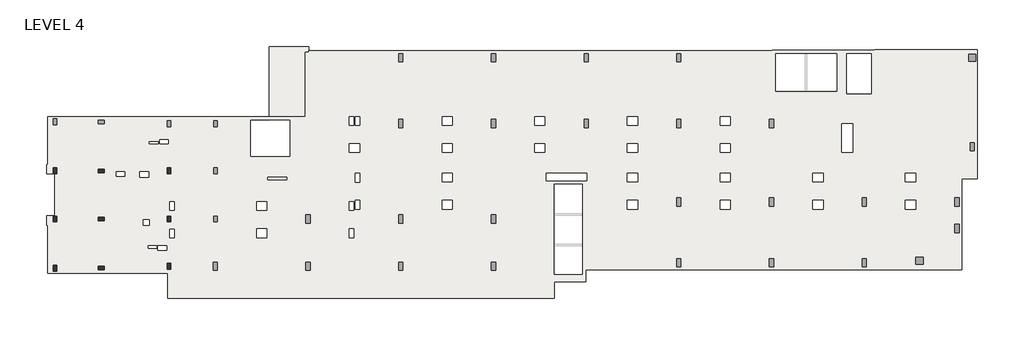
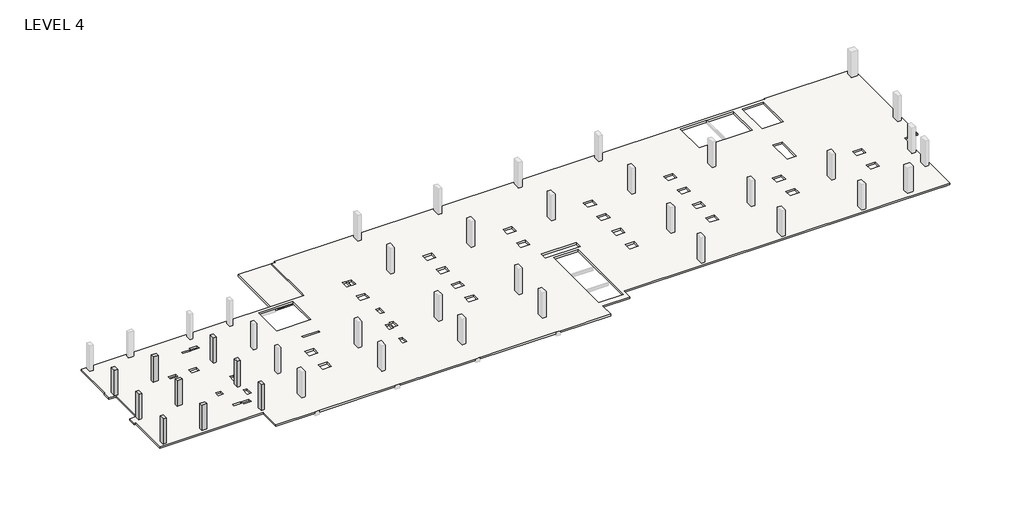
# One storey, part 1 of 2: 9 columns, 2 slabs.
"""IFC4 building model written with IfcOpenShell, lengths in millimetres."""

from ifc_helpers import new_model, si_unit, frame, origin, place, context, project, spatial, polyline, outline, extrude, faceted_brep, element, save

model = new_model("IFC4")

# Units and contexts
model_context = context("Model", 3, world=origin())
ifc_project = project(units=[si_unit("LENGTHUNIT", "METRE", prefix="MILLI")], contexts=[model_context])

# Site, building, storey
site = spatial("IfcSite", under=ifc_project)
building = spatial("IfcBuilding", under=site)
storey = spatial("IfcBuildingStorey", under=building, Name="LEVEL 4", Elevation=13208.0)

# Columns
placement = place(None, origin())
element("IfcColumn", 1, ObjectType="UC Concrete-Rectangular-Column : 12 x 20", at=placement, inside=storey, context=model_context, shape_type="SweptSolid", body=[
    extrude(outline(polyline([(-12613.7610058, -25075.0962939), (-12613.7610058, -25583.0962939), (-12918.5610058, -25583.0962939), (-12918.5610058, -25075.0962939), (-12613.7610058, -25075.0962939)])), frame((0.0, 0.0, 13208.0), z_axis=(0.0, 0.0, 1.0), x_axis=(1.0, 0.0, 0.0)), (0.0, 0.0, 1.0), 2667.0),
])
element("IfcColumn", 2, ObjectType="UC Concrete-Rectangular-Column : 12 x 20", at=placement, inside=storey, context=model_context, shape_type="SweptSolid", body=[
    extrude(outline(polyline([(-9057.7610058, -25176.6962939), (-8549.7610058, -25176.6962939), (-8549.7610058, -25481.4962939), (-9057.7610058, -25481.4962939), (-9057.7610058, -25176.6962939)])), frame((0.0, 0.0, 13208.0), z_axis=(0.0, 0.0, 1.0), x_axis=(1.0, 0.0, 0.0)), (0.0, 0.0, 1.0), 2667.0),
])
element("IfcColumn", 3, ObjectType="UC Concrete-Rectangular-Column : 12 x 20", at=placement, inside=storey, context=model_context, shape_type="SweptSolid", body=[
    extrude(outline(polyline([(-12613.7610058, -29189.8962158), (-12613.7610058, -29697.8962158), (-12918.5610058, -29697.8962158), (-12918.5610058, -29189.8962158), (-12613.7610058, -29189.8962158)])), frame((0.0, 0.0, 13208.0), z_axis=(0.0, 0.0, 1.0), x_axis=(1.0, 0.0, 0.0)), (0.0, 0.0, 1.0), 2667.0),
])
element("IfcColumn", 4, ObjectType="UC Concrete-Rectangular-Column : 12 x 20", at=placement, inside=storey, context=model_context, shape_type="SweptSolid", body=[
    extrude(outline(polyline([(-8549.7610058, -29596.2962158), (-9057.7610058, -29596.2962158), (-9057.7610058, -29291.4962158), (-8549.7610058, -29291.4962158), (-8549.7610058, -29596.2962158)])), frame((0.0, 0.0, 13208.0), z_axis=(0.0, 0.0, 1.0), x_axis=(1.0, 0.0, 0.0)), (0.0, 0.0, 1.0), 2667.0),
])
element("IfcColumn", 5, ObjectType="UC Concrete-Rectangular-Column : 12 x 20", at=placement, inside=storey, context=model_context, shape_type="SweptSolid", body=[
    extrude(outline(polyline([(-12613.7610058, -33380.9107149), (-12613.7610058, -33888.9107149), (-12918.5610058, -33888.9107149), (-12918.5610058, -33380.9107149), (-12613.7610058, -33380.9107149)])), frame((0.0, 0.0, 13208.0), z_axis=(0.0, 0.0, 1.0), x_axis=(1.0, 0.0, 0.0)), (0.0, 0.0, 1.0), 2667.0),
])
element("IfcColumn", 6, ObjectType="UC Concrete-Rectangular-Column : 12 x 20", at=placement, inside=storey, context=model_context, shape_type="SweptSolid", body=[
    extrude(outline(polyline([(-9057.7610058, -33482.5107149), (-8549.7610058, -33482.5107149), (-8549.7610058, -33787.3107149), (-9057.7610058, -33787.3107149), (-9057.7610058, -33482.5107149)])), frame((0.0, 0.0, 13208.0), z_axis=(0.0, 0.0, 1.0), x_axis=(1.0, 0.0, 0.0)), (0.0, 0.0, 1.0), 2667.0),
])
element("IfcColumn", 7, ObjectType="UC Concrete-Rectangular-Column : 12 x 20", at=placement, inside=storey, context=model_context, shape_type="SweptSolid", body=[
    extrude(outline(polyline([(-2860.1610058, -25075.0962939), (-2860.1610058, -25583.0962939), (-3164.9610058, -25583.0962939), (-3164.9610058, -25075.0962939), (-2860.1610058, -25075.0962939)])), frame((0.0, 0.0, 13208.0), z_axis=(0.0, 0.0, 1.0), x_axis=(1.0, 0.0, 0.0)), (0.0, 0.0, 1.0), 2667.0),
])
element("IfcColumn", 8, ObjectType="UC Concrete-Rectangular-Column : 12 x 20", at=placement, inside=storey, context=model_context, shape_type="SweptSolid", body=[
    extrude(outline(polyline([(-2860.1610058, -29189.8962158), (-2860.1610058, -29697.8962158), (-3164.9610058, -29697.8962158), (-3164.9610058, -29189.8962158), (-2860.1610058, -29189.8962158)])), frame((0.0, 0.0, 13208.0), z_axis=(0.0, 0.0, 1.0), x_axis=(1.0, 0.0, 0.0)), (0.0, 0.0, 1.0), 2667.0),
])
element("IfcColumn", 9, ObjectType="UC Concrete-Rectangular-Column : 12 x 20", at=placement, inside=storey, context=model_context, shape_type="SweptSolid", body=[
    extrude(outline(polyline([(-2860.1610058, -33228.5107149), (-2860.1610058, -33736.5107149), (-3164.9610058, -33736.5107149), (-3164.9610058, -33228.5107149), (-2860.1610058, -33228.5107149)])), frame((0.0, 0.0, 13208.0), z_axis=(0.0, 0.0, 1.0), x_axis=(1.0, 0.0, 0.0)), (0.0, 0.0, 1.0), 2667.0),
])

# Slabs
element("IfcSlab", 10, ObjectType="7\" Concrete", at=placement, inside=storey, context=model_context, shape_type="Brep", body=[
    faceted_brep([(57329.9014942, -15029.4107149, 13030.2), (57329.9014942, -14953.2107149, 13030.2), (66100.8383695, -14953.2107149, 13030.2), (66100.8383695, -25995.8607149, 13030.2), (64773.6889942, -25995.8607149, 13030.2), (64773.6889942, -33774.6107149, 13030.2), (32604.5889942, -33774.6107149, 13030.2), (32604.5889942, -34790.6107149, 13030.2), (29915.3639942, -34790.6107149, 13030.2), (29915.3639942, -36206.6607149, 13030.2), (24927.4389942, -36206.6607149, 13030.2), (24521.0389942, -36206.6607149, 13030.2), (17002.6389942, -36206.6607149, 13030.2), (16596.2389942, -36206.6607149, 13030.2), (9077.8389942, -36206.6607149, 13030.2), (8671.4389942, -36206.6607149, 13030.2), (1153.0389942, -36206.6607149, 13030.2), (746.6389942, -36206.6607149, 13030.2), (-3120.5110058, -36206.6607149, 13030.2), (-3120.5110058, -34060.3310305, 13030.2), (-13363.0610058, -34060.3310305, 13030.2), (-13363.0610058, -29958.2607149, 13030.2), (-13483.7110058, -29958.2607149, 13030.2), (-13483.7110058, -29183.5607149, 13030.2), (-12969.3610058, -29183.5607149, 13030.2), (-12766.1169468, -29183.5607149, 13030.2), (-12766.1169468, -29139.1107149, 13030.2), (-12766.1169468, -25633.9107149, 13030.2), (-12766.1169468, -25589.4607149, 13030.2), (-12969.3610058, -25589.4607149, 13030.2), (-13483.7110058, -25589.4607149, 13030.2), (-13483.7110058, -24814.7607149, 13030.2), (-13363.0610058, -24814.7607149, 13030.2), (-13363.0610058, -20712.6903994, 13030.2), (797.4389942, -20712.6903994, 13030.2), (1102.2389942, -20712.6903994, 13030.2), (5572.6389942, -20712.6903994, 13030.2), (5979.0389942, -20712.6903994, 13030.2), (8620.6389942, -20712.6903994, 13030.2), (8620.6389942, -15194.5107149, 13030.2), (8925.4389942, -15194.5107149, 13030.2), (8925.4389942, -15054.8107149, 13030.2), (48541.5014942, -15054.8107149, 13030.2), (48541.5014942, -15029.4107149, 13030.2), (54078.7014942, -15334.2107149, 13030.2), (48846.3014942, -15334.2107149, 13030.2), (48846.3014942, -18511.7121146, 13030.2), (54078.7014942, -18511.7121146, 13030.2), (29912.1889942, -34181.7272222, 13030.2), (32299.7889942, -34181.7272222, 13030.2), (32299.7889942, -26487.2692077, 13030.2), (29912.1889942, -26487.2692077, 13030.2), (3972.4389942, -21017.4903994, 13030.2), (3972.4389942, -24095.6232149, 13030.2), (7325.2389942, -24095.6232149, 13030.2), (7325.2389942, -21017.4903994, 13030.2), (5572.6389942, -21017.4903994, 13030.2), (57025.1014942, -15334.2107149, 13030.2), (54933.1413578, -15334.2107149, 13030.2), (54933.1413578, -18744.1607149, 13030.2), (57025.1014942, -18744.1607149, 13030.2), (29123.2162484, -20696.7857149, 13030.2), (28250.0617399, -20696.7857149, 13030.2), (28250.0617399, -21427.0315227, 13030.2), (29123.2162484, -21427.0315227, 13030.2), (29123.2329503, -23011.3607149, 13030.2), (28250.045038, -23011.3607149, 13030.2), (28250.045038, -23744.7857149, 13030.2), (29123.2329503, -23744.7857149, 13030.2), (37048.0162484, -20696.7857149, 13030.2), (36174.8617399, -20696.7857149, 13030.2), (36174.8617399, -21427.0315227, 13030.2), (37048.0162484, -21427.0315227, 13030.2), (37048.0329503, -23011.3607149, 13030.2), (36174.845038, -23011.3607149, 13030.2), (36174.845038, -23744.7857149, 13030.2), (37048.0329503, -23744.7857149, 13030.2), (37048.0329503, -25541.8357149, 13030.2), (36174.8784418, -25541.8357149, 13030.2), (36174.8784418, -26272.0815227, 13030.2), (37048.0329503, -26272.0815227, 13030.2), (37048.0496522, -27856.4107149, 13030.2), (36174.8617399, -27856.4107149, 13030.2), (36174.8617399, -28589.8357149, 13030.2), (37048.0496522, -28589.8357149, 13030.2), (44972.8162484, -20696.7857149, 13030.2), (44099.6617399, -20696.7857149, 13030.2), (44099.6617399, -21427.0315227, 13030.2), (44972.8162484, -21427.0315227, 13030.2), (44972.8329503, -23011.3607149, 13030.2), (44099.645038, -23011.3607149, 13030.2), (44099.645038, -23744.7857149, 13030.2), (44972.8329503, -23744.7857149, 13030.2), (44972.8329503, -25541.8357149, 13030.2), (44099.6784418, -25541.8357149, 13030.2), (44099.6784418, -26272.0815227, 13030.2), (44972.8329503, -26272.0815227, 13030.2), (44972.8496522, -27856.4107149, 13030.2), (44099.6617399, -27856.4107149, 13030.2), (44099.6617399, -28589.8357149, 13030.2), (44972.8496522, -28589.8357149, 13030.2), (55421.7306924, -21315.9107149, 13030.2), (54513.6767085, -21315.9107149, 13030.2), (54513.6767085, -23754.3107149, 13030.2), (55421.7306924, -23754.3107149, 13030.2), (52897.6329503, -25541.8357149, 13030.2), (52024.4784418, -25541.8357149, 13030.2), (52024.4784418, -26272.0815227, 13030.2), (52897.6329503, -26272.0815227, 13030.2), (52897.6496522, -27856.4107149, 13030.2), (52024.4617399, -27856.4107149, 13030.2), (52024.4617399, -28589.8357149, 13030.2), (52897.6496522, -28589.8357149, 13030.2), (60822.4329503, -25541.8357149, 13030.2), (59949.2784418, -25541.8357149, 13030.2), (59949.2784418, -26272.0815227, 13030.2), (60822.4329503, -26272.0815227, 13030.2), (60822.4496522, -27856.4107149, 13030.2), (59949.2617399, -27856.4107149, 13030.2), (59949.2617399, -28589.8357149, 13030.2), (60822.4496522, -28589.8357149, 13030.2), (21198.4162484, -20696.7857149, 13030.2), (20325.2617399, -20696.7857149, 13030.2), (20325.2617399, -21427.0315227, 13030.2), (21198.4162484, -21427.0315227, 13030.2), (21198.4329503, -23011.3607149, 13030.2), (20325.245038, -23011.3607149, 13030.2), (20325.245038, -23744.7857149, 13030.2), (21198.4329503, -23744.7857149, 13030.2), (21198.4329503, -25540.2600871, 13030.2), (20325.245038, -25540.2600871, 13030.2), (20325.245038, -26273.6850871, 13030.2), (21198.4329503, -26273.6850871, 13030.2), (21198.4329503, -27856.4247435, 13030.2), (20325.245038, -27856.4247435, 13030.2), (20325.245038, -28589.8497435, 13030.2), (21198.4329503, -28589.8497435, 13030.2), (13273.6162484, -23011.3747435, 13030.2), (12400.4283362, -23011.3747435, 13030.2), (12400.4283362, -23744.7997435, 13030.2), (13273.6162484, -23744.7997435, 13030.2), (13273.6329503, -25549.7872435, 13030.2), (12898.9511818, -25549.7872435, 13030.2), (12898.9511818, -26283.2122435, 13030.2), (13273.6329503, -26283.2122435, 13030.2), (13273.6329503, -27858.0306162, 13030.2), (12898.9511818, -27858.0306162, 13030.2), (12898.9511818, -28591.4556162, 13030.2), (13273.6329503, -28591.4556162, 13030.2), (12775.1350013, -27980.26602, 13030.2), (12400.4532328, -27980.26602, 13030.2), (12400.4532328, -28713.69102, 13030.2), (12775.1350013, -28713.69102, 13030.2), (12775.1350013, -30296.4143396, 13030.2), (12400.4532328, -30296.4143396, 13030.2), (12400.4532328, -31029.8393396, 13030.2), (12775.1350013, -31029.8393396, 13030.2), (5348.8159361, -30296.4143396, 13030.2), (4475.6620523, -30296.4143396, 13030.2), (4475.6620523, -31029.8393396, 13030.2), (5348.8159361, -31029.8393396, 13030.2), (-4736.5860058, -25391.0377141, 13030.2), (-5495.4110058, -25391.0377141, 13030.2), (-5495.4110058, -25894.3063579, 13030.2), (-4736.5860058, -25894.3063579, 13030.2), (-2575.9840639, -30297.9899072, 13030.2), (-2936.3610058, -30297.9899072, 13030.2), (-2936.3610058, -31028.2357149, 13030.2), (-2575.9840639, -31028.2357149, 13030.2), (-2575.9673621, -27980.2327488, 13030.2), (-2936.3610058, -27980.2327488, 13030.2), (-2936.3610058, -28713.6577488, 13030.2), (-2575.9673621, -28713.6577488, 13030.2), (-3955.5318136, -31734.6434324, 13030.2), (-3955.5318136, -32129.9453743, 13030.2), (-3212.5860058, -32129.9453743, 13030.2), (-3212.5860058, -31734.6434324, 13030.2), (-4809.6068136, -31744.9675477, 13030.2), (-4809.6068136, -31933.1120762, 13030.2), (-4050.7818136, -31933.1120762, 13030.2), (-4050.7818136, -31744.9675477, 13030.2), (13273.6245994, -20696.7857149, 13030.2), (12898.9428309, -20696.7857149, 13030.2), (12898.9428309, -21427.0315227, 13030.2), (13273.6245994, -21427.0315227, 13030.2), (12775.1351575, -20696.7857149, 13030.2), (12400.453389, -20696.7857149, 13030.2), (12400.453389, -21427.0315227, 13030.2), (12775.1351575, -21427.0315227, 13030.2), (-4685.7818136, -22839.9093537, 13030.2), (-4685.7818136, -23025.6779974, 13030.2), (-3926.9568136, -23025.6779974, 13030.2), (-3926.9568136, -22839.9093537, 13030.2), (-5207.5557798, -29505.837636, 13030.2), (-5207.5557798, -29980.4953131, 13030.2), (-4708.0110058, -29980.4953131, 13030.2), (-4708.0110058, -29505.837636, 13030.2), (29254.9639942, -25513.2607149, 13030.2), (29254.9639942, -26182.4692077, 13030.2), (32693.4889942, -26182.4692077, 13030.2), (32693.4889942, -25513.2607149, 13030.2), (7044.9556867, -25881.5621481, 13030.2), (5407.1871152, -25881.5621481, 13030.2), (5407.1871152, -26084.7621481, 13030.2), (7044.9556867, -26084.7621481, 13030.2), (5348.8159361, -27981.0375273, 13030.2), (4475.6620523, -27981.0375273, 13030.2), (4475.6620523, -28714.4625273, 13030.2), (5348.8159361, -28714.4625273, 13030.2), (-7516.3006019, -25401.3473693, 13030.2), (-7516.3006019, -25776.0291377, 13030.2), (-6782.8756019, -25776.0291377, 13030.2), (-6782.8756019, -25401.3473693, 13030.2), (-3826.9323811, -22647.0361423, 13030.2), (-3826.9323811, -23021.7179107, 13030.2), (-3093.5073811, -23021.7179107, 13030.2), (-3093.5073811, -22647.0361423, 13030.2), (57329.9014942, -14953.2107149, 13208.0), (57329.9014942, -15029.4107149, 13208.0), (48541.5014942, -15029.4107149, 13208.0), (48541.5014942, -15054.8107149, 13208.0), (8925.4389942, -15054.8107149, 13208.0), (8925.4389942, -15194.5107149, 13208.0), (8620.6389942, -15194.5107149, 13208.0), (8620.6389942, -20712.6903994, 13208.0), (-13363.0610058, -20712.6903994, 13208.0), (-13363.0610058, -24814.7607149, 13208.0), (-13483.7110058, -24814.7607149, 13208.0), (-13483.7110058, -25589.4607149, 13208.0), (-12969.3610058, -25589.4607149, 13208.0), (-12766.1169468, -25589.4607149, 13208.0), (-12766.1169468, -25633.9107149, 13208.0), (-12766.1169468, -29139.1107149, 13208.0), (-12766.1169468, -29183.5607149, 13208.0), (-12969.3610058, -29183.5607149, 13208.0), (-13483.7110058, -29183.5607149, 13208.0), (-13483.7110058, -29958.2607149, 13208.0), (-13363.0610058, -29958.2607149, 13208.0), (-13363.0610058, -34060.3310305, 13208.0), (-3120.5110058, -34060.3310305, 13208.0), (-3120.5110058, -36206.6607149, 13208.0), (746.6389942, -36206.6607149, 13208.0), (1153.0389942, -36206.6607149, 13208.0), (8671.4389942, -36206.6607149, 13208.0), (9077.8389942, -36206.6607149, 13208.0), (16596.2389942, -36206.6607149, 13208.0), (17002.6389942, -36206.6607149, 13208.0), (24521.0389942, -36206.6607149, 13208.0), (24927.4389942, -36206.6607149, 13208.0), (29915.3639942, -36206.6607149, 13208.0), (29915.3639942, -34790.6107149, 13208.0), (32604.5889942, -34790.6107149, 13208.0), (32604.5889942, -33774.6107149, 13208.0), (64773.6889942, -33774.6107149, 13208.0), (64773.6889942, -25995.8607149, 13208.0), (66100.8383695, -25995.8607149, 13208.0), (66100.8383695, -14953.2107149, 13208.0), (48846.3014942, -15334.2107149, 13208.0), (54078.7014942, -15334.2107149, 13208.0), (54078.7014942, -18511.7121146, 13208.0), (48846.3014942, -18511.7121146, 13208.0), (32299.7889942, -34181.7272222, 13208.0), (29912.1889942, -34181.7272222, 13208.0), (29912.1889942, -26487.2692077, 13208.0), (32299.7889942, -26487.2692077, 13208.0), (3972.4389942, -24095.6232149, 13208.0), (3972.4389942, -21017.4903994, 13208.0), (7325.2389942, -21017.4903994, 13208.0), (7325.2389942, -24095.6232149, 13208.0), (54933.1413578, -15334.2107149, 13208.0), (57025.1014942, -15334.2107149, 13208.0), (57025.1014942, -18744.1607149, 13208.0), (54933.1413578, -18744.1607149, 13208.0), (28250.0617399, -20696.7857149, 13208.0), (29123.2162484, -20696.7857149, 13208.0), (29123.2162484, -21427.0315227, 13208.0), (28250.0617399, -21427.0315227, 13208.0), (28250.045038, -23011.3607149, 13208.0), (29123.2329503, -23011.3607149, 13208.0), (29123.2329503, -23744.7857149, 13208.0), (28250.045038, -23744.7857149, 13208.0), (36174.8617399, -20696.7857149, 13208.0), (37048.0162484, -20696.7857149, 13208.0), (37048.0162484, -21427.0315227, 13208.0), (36174.8617399, -21427.0315227, 13208.0), (36174.845038, -23011.3607149, 13208.0), (37048.0329503, -23011.3607149, 13208.0), (37048.0329503, -23744.7857149, 13208.0), (36174.845038, -23744.7857149, 13208.0), (36174.8784418, -25541.8357149, 13208.0), (37048.0329503, -25541.8357149, 13208.0), (37048.0329503, -26272.0815227, 13208.0), (36174.8784418, -26272.0815227, 13208.0), (36174.8617399, -27856.4107149, 13208.0), (37048.0496522, -27856.4107149, 13208.0), (37048.0496522, -28589.8357149, 13208.0), (36174.8617399, -28589.8357149, 13208.0), (44099.6617399, -20696.7857149, 13208.0), (44972.8162484, -20696.7857149, 13208.0), (44972.8162484, -21427.0315227, 13208.0), (44099.6617399, -21427.0315227, 13208.0), (44099.645038, -23011.3607149, 13208.0), (44972.8329503, -23011.3607149, 13208.0), (44972.8329503, -23744.7857149, 13208.0), (44099.645038, -23744.7857149, 13208.0), (44099.6784418, -25541.8357149, 13208.0), (44972.8329503, -25541.8357149, 13208.0), (44972.8329503, -26272.0815227, 13208.0), (44099.6784418, -26272.0815227, 13208.0), (44099.6617399, -27856.4107149, 13208.0), (44972.8496522, -27856.4107149, 13208.0), (44972.8496522, -28589.8357149, 13208.0), (44099.6617399, -28589.8357149, 13208.0), (54513.6767085, -21315.9107149, 13208.0), (55421.7306924, -21315.9107149, 13208.0), (55421.7306924, -23754.3107149, 13208.0), (54513.6767085, -23754.3107149, 13208.0), (52024.4784418, -25541.8357149, 13208.0), (52897.6329503, -25541.8357149, 13208.0), (52897.6329503, -26272.0815227, 13208.0), (52024.4784418, -26272.0815227, 13208.0), (52024.4617399, -27856.4107149, 13208.0), (52897.6496522, -27856.4107149, 13208.0), (52897.6496522, -28589.8357149, 13208.0), (52024.4617399, -28589.8357149, 13208.0), (59949.2784418, -25541.8357149, 13208.0), (60822.4329503, -25541.8357149, 13208.0), (60822.4329503, -26272.0815227, 13208.0), (59949.2784418, -26272.0815227, 13208.0), (59949.2617399, -27856.4107149, 13208.0), (60822.4496522, -27856.4107149, 13208.0), (60822.4496522, -28589.8357149, 13208.0), (59949.2617399, -28589.8357149, 13208.0), (20325.2617399, -20696.7857149, 13208.0), (21198.4162484, -20696.7857149, 13208.0), (21198.4162484, -21427.0315227, 13208.0), (20325.2617399, -21427.0315227, 13208.0), (20325.245038, -23011.3607149, 13208.0), (21198.4329503, -23011.3607149, 13208.0), (21198.4329503, -23744.7857149, 13208.0), (20325.245038, -23744.7857149, 13208.0), (20325.245038, -25540.2600871, 13208.0), (21198.4329503, -25540.2600871, 13208.0), (21198.4329503, -26273.6850871, 13208.0), (20325.245038, -26273.6850871, 13208.0), (20325.245038, -27856.4247435, 13208.0), (21198.4329503, -27856.4247435, 13208.0), (21198.4329503, -28589.8497435, 13208.0), (20325.245038, -28589.8497435, 13208.0), (12400.4283362, -23011.3747435, 13208.0), (13273.6162484, -23011.3747435, 13208.0), (13273.6162484, -23744.7997435, 13208.0), (12400.4283362, -23744.7997435, 13208.0), (12898.9511818, -25549.7872435, 13208.0), (13273.6329503, -25549.7872435, 13208.0), (13273.6329503, -26283.2122435, 13208.0), (12898.9511818, -26283.2122435, 13208.0), (12898.9511818, -27858.0306162, 13208.0), (13273.6329503, -27858.0306162, 13208.0), (13273.6329503, -28591.4556162, 13208.0), (12898.9511818, -28591.4556162, 13208.0), (12400.4532328, -27980.26602, 13208.0), (12775.1350013, -27980.26602, 13208.0), (12775.1350013, -28713.69102, 13208.0), (12400.4532328, -28713.69102, 13208.0), (12400.4532328, -30296.4143396, 13208.0), (12775.1350013, -30296.4143396, 13208.0), (12775.1350013, -31029.8393396, 13208.0), (12400.4532328, -31029.8393396, 13208.0), (4475.6620523, -30296.4143396, 13208.0), (5348.8159361, -30296.4143396, 13208.0), (5348.8159361, -31029.8393396, 13208.0), (4475.6620523, -31029.8393396, 13208.0), (-5495.4110058, -25391.0377141, 13208.0), (-4736.5860058, -25391.0377141, 13208.0), (-4736.5860058, -25894.3063579, 13208.0), (-5495.4110058, -25894.3063579, 13208.0), (-2936.3610058, -30297.9899072, 13208.0), (-2575.9840639, -30297.9899072, 13208.0), (-2575.9840639, -31028.2357149, 13208.0), (-2936.3610058, -31028.2357149, 13208.0), (-2936.3610058, -27980.2327488, 13208.0), (-2575.9673621, -27980.2327488, 13208.0), (-2575.9673621, -28713.6577488, 13208.0), (-2936.3610058, -28713.6577488, 13208.0), (-3955.5318136, -32129.9453743, 13208.0), (-3955.5318136, -31734.6434324, 13208.0), (-3212.5860058, -31734.6434324, 13208.0), (-3212.5860058, -32129.9453743, 13208.0), (-4809.6068136, -31933.1120762, 13208.0), (-4809.6068136, -31744.9675477, 13208.0), (-4050.7818136, -31744.9675477, 13208.0), (-4050.7818136, -31933.1120762, 13208.0), (12898.9428309, -20696.7857149, 13208.0), (13273.6245994, -20696.7857149, 13208.0), (13273.6245994, -21427.0315227, 13208.0), (12898.9428309, -21427.0315227, 13208.0), (12400.453389, -20696.7857149, 13208.0), (12775.1351575, -20696.7857149, 13208.0), (12775.1351575, -21427.0315227, 13208.0), (12400.453389, -21427.0315227, 13208.0), (-4685.7818136, -23025.6779974, 13208.0), (-4685.7818136, -22839.9093537, 13208.0), (-3926.9568136, -22839.9093537, 13208.0), (-3926.9568136, -23025.6779974, 13208.0), (-5207.5557798, -29980.4953131, 13208.0), (-5207.5557798, -29505.837636, 13208.0), (-4708.0110058, -29505.837636, 13208.0), (-4708.0110058, -29980.4953131, 13208.0), (29254.9639942, -26182.4692077, 13208.0), (29254.9639942, -25513.2607149, 13208.0), (32693.4889942, -25513.2607149, 13208.0), (32693.4889942, -26182.4692077, 13208.0), (5407.1871152, -25881.5621481, 13208.0), (7044.9556867, -25881.5621481, 13208.0), (7044.9556867, -26084.7621481, 13208.0), (5407.1871152, -26084.7621481, 13208.0), (4475.6620523, -27981.0375273, 13208.0), (5348.8159361, -27981.0375273, 13208.0), (5348.8159361, -28714.4625273, 13208.0), (4475.6620523, -28714.4625273, 13208.0), (-7516.3006019, -25776.0291377, 13208.0), (-7516.3006019, -25401.3473693, 13208.0), (-6782.8756019, -25401.3473693, 13208.0), (-6782.8756019, -25776.0291377, 13208.0), (-3826.9323811, -23021.7179107, 13208.0), (-3826.9323811, -22647.0361423, 13208.0), (-3093.5073811, -22647.0361423, 13208.0), (-3093.5073811, -23021.7179107, 13208.0)], [[[0, 1, 2, 3, 4, 5, 6, 7, 8, 9, 10, 11, 12, 13, 14, 15, 16, 17, 18, 19, 20, 21, 22, 23, 24, 25, 26, 27, 28, 29, 30, 31, 32, 33, 34, 35, 36, 37, 38, 39, 40, 41, 42, 43], [44, 45, 46, 47], [48, 49, 50, 51], [52, 53, 54, 55, 56], [57, 58, 59, 60], [61, 62, 63, 64], [65, 66, 67, 68], [69, 70, 71, 72], [73, 74, 75, 76], [77, 78, 79, 80], [81, 82, 83, 84], [85, 86, 87, 88], [89, 90, 91, 92], [93, 94, 95, 96], [97, 98, 99, 100], [101, 102, 103, 104], [105, 106, 107, 108], [109, 110, 111, 112], [113, 114, 115, 116], [117, 118, 119, 120], [121, 122, 123, 124], [125, 126, 127, 128], [129, 130, 131, 132], [133, 134, 135, 136], [137, 138, 139, 140], [141, 142, 143, 144], [145, 146, 147, 148], [149, 150, 151, 152], [153, 154, 155, 156], [157, 158, 159, 160], [161, 162, 163, 164], [165, 166, 167, 168], [169, 170, 171, 172], [173, 174, 175, 176], [177, 178, 179, 180], [181, 182, 183, 184], [185, 186, 187, 188], [189, 190, 191, 192], [193, 194, 195, 196], [197, 198, 199, 200], [201, 202, 203, 204], [205, 206, 207, 208], [209, 210, 211, 212], [213, 214, 215, 216]], [[217, 218, 219, 220, 221, 222, 223, 224, 225, 226, 227, 228, 229, 230, 231, 232, 233, 234, 235, 236, 237, 238, 239, 240, 241, 242, 243, 244, 245, 246, 247, 248, 249, 250, 251, 252, 253, 254, 255, 256], [257, 258, 259, 260], [261, 262, 263, 264], [265, 266, 267, 268], [269, 270, 271, 272], [273, 274, 275, 276], [277, 278, 279, 280], [281, 282, 283, 284], [285, 286, 287, 288], [289, 290, 291, 292], [293, 294, 295, 296], [297, 298, 299, 300], [301, 302, 303, 304], [305, 306, 307, 308], [309, 310, 311, 312], [313, 314, 315, 316], [317, 318, 319, 320], [321, 322, 323, 324], [325, 326, 327, 328], [329, 330, 331, 332], [333, 334, 335, 336], [337, 338, 339, 340], [341, 342, 343, 344], [345, 346, 347, 348], [349, 350, 351, 352], [353, 354, 355, 356], [357, 358, 359, 360], [361, 362, 363, 364], [365, 366, 367, 368], [369, 370, 371, 372], [373, 374, 375, 376], [377, 378, 379, 380], [381, 382, 383, 384], [385, 386, 387, 388], [389, 390, 391, 392], [393, 394, 395, 396], [397, 398, 399, 400], [401, 402, 403, 404], [405, 406, 407, 408], [409, 410, 411, 412], [413, 414, 415, 416], [417, 418, 419, 420], [421, 422, 423, 424], [425, 426, 427, 428]], [[1, 0, 218, 217]], [[44, 258, 257, 45]], [[45, 257, 260, 46]], [[46, 260, 259, 47]], [[258, 44, 47, 259]], [[48, 262, 261, 49]], [[49, 261, 264, 50]], [[50, 264, 263, 51]], [[262, 48, 51, 263]], [[265, 53, 52, 266]], [[53, 265, 268, 54]], [[54, 268, 267, 55]], [[57, 270, 269, 58]], [[58, 269, 272, 59]], [[59, 272, 271, 60]], [[270, 57, 60, 271]], [[5, 4, 254, 253]], [[6, 5, 253, 252]], [[7, 6, 252, 251]], [[8, 7, 251, 250]], [[9, 8, 250, 249]], [[18, 17, 16, 15, 14, 13, 12, 11, 10, 9, 249, 248, 247, 246, 245, 244, 243, 242, 241, 240]], [[19, 18, 240, 239]], [[20, 19, 239, 238]], [[21, 20, 238, 237]], [[22, 21, 237, 236]], [[31, 30, 228, 227]], [[32, 31, 227, 226]], [[33, 32, 226, 225]], [[38, 37, 36, 35, 34, 33, 225, 224]], [[41, 40, 222, 221]], [[42, 41, 221, 220]], [[43, 42, 220, 219]], [[0, 43, 219, 218]], [[2, 1, 217, 256]], [[3, 2, 256, 255]], [[4, 3, 255, 254]], [[61, 274, 273, 62]], [[62, 273, 276, 63]], [[63, 276, 275, 64]], [[274, 61, 64, 275]], [[65, 278, 277, 66]], [[66, 277, 280, 67]], [[67, 280, 279, 68]], [[278, 65, 68, 279]], [[69, 282, 281, 70]], [[70, 281, 284, 71]], [[71, 284, 283, 72]], [[282, 69, 72, 283]], [[73, 286, 285, 74]], [[74, 285, 288, 75]], [[75, 288, 287, 76]], [[286, 73, 76, 287]], [[77, 290, 289, 78]], [[78, 289, 292, 79]], [[79, 292, 291, 80]], [[290, 77, 80, 291]], [[81, 294, 293, 82]], [[82, 293, 296, 83]], [[83, 296, 295, 84]], [[294, 81, 84, 295]], [[85, 298, 297, 86]], [[86, 297, 300, 87]], [[87, 300, 299, 88]], [[298, 85, 88, 299]], [[89, 302, 301, 90]], [[90, 301, 304, 91]], [[91, 304, 303, 92]], [[302, 89, 92, 303]], [[93, 306, 305, 94]], [[94, 305, 308, 95]], [[95, 308, 307, 96]], [[306, 93, 96, 307]], [[97, 310, 309, 98]], [[98, 309, 312, 99]], [[99, 312, 311, 100]], [[310, 97, 100, 311]], [[101, 314, 313, 102]], [[102, 313, 316, 103]], [[103, 316, 315, 104]], [[314, 101, 104, 315]], [[105, 318, 317, 106]], [[106, 317, 320, 107]], [[107, 320, 319, 108]], [[318, 105, 108, 319]], [[109, 322, 321, 110]], [[110, 321, 324, 111]], [[111, 324, 323, 112]], [[322, 109, 112, 323]], [[113, 326, 325, 114]], [[114, 325, 328, 115]], [[115, 328, 327, 116]], [[326, 113, 116, 327]], [[117, 330, 329, 118]], [[118, 329, 332, 119]], [[119, 332, 331, 120]], [[330, 117, 120, 331]], [[121, 334, 333, 122]], [[122, 333, 336, 123]], [[123, 336, 335, 124]], [[334, 121, 124, 335]], [[125, 338, 337, 126]], [[126, 337, 340, 127]], [[127, 340, 339, 128]], [[338, 125, 128, 339]], [[129, 342, 341, 130]], [[130, 341, 344, 131]], [[131, 344, 343, 132]], [[342, 129, 132, 343]], [[133, 346, 345, 134]], [[134, 345, 348, 135]], [[135, 348, 347, 136]], [[346, 133, 136, 347]], [[137, 350, 349, 138]], [[138, 349, 352, 139]], [[139, 352, 351, 140]], [[350, 137, 140, 351]], [[141, 354, 353, 142]], [[142, 353, 356, 143]], [[143, 356, 355, 144]], [[354, 141, 144, 355]], [[145, 358, 357, 146]], [[146, 357, 360, 147]], [[147, 360, 359, 148]], [[358, 145, 148, 359]], [[149, 362, 361, 150]], [[150, 361, 364, 151]], [[151, 364, 363, 152]], [[362, 149, 152, 363]], [[153, 366, 365, 154]], [[154, 365, 368, 155]], [[155, 368, 367, 156]], [[366, 153, 156, 367]], [[157, 370, 369, 158]], [[158, 369, 372, 159]], [[159, 372, 371, 160]], [[370, 157, 160, 371]], [[205, 418, 417, 206]], [[206, 417, 420, 207]], [[207, 420, 419, 208]], [[418, 205, 208, 419]], [[161, 374, 373, 162]], [[162, 373, 376, 163]], [[163, 376, 375, 164]], [[374, 161, 164, 375]], [[165, 378, 377, 166]], [[166, 377, 380, 167]], [[167, 380, 379, 168]], [[378, 165, 168, 379]], [[169, 382, 381, 170]], [[170, 381, 384, 171]], [[171, 384, 383, 172]], [[382, 169, 172, 383]], [[173, 386, 385, 174]], [[174, 385, 388, 175]], [[175, 388, 387, 176]], [[386, 173, 176, 387]], [[209, 422, 421, 210]], [[210, 421, 424, 211]], [[211, 424, 423, 212]], [[422, 209, 212, 423]], [[213, 426, 425, 214]], [[214, 425, 428, 215]], [[215, 428, 427, 216]], [[426, 213, 216, 427]], [[177, 390, 389, 178]], [[178, 389, 392, 179]], [[179, 392, 391, 180]], [[390, 177, 180, 391]], [[181, 394, 393, 182]], [[182, 393, 396, 183]], [[183, 396, 395, 184]], [[394, 181, 184, 395]], [[185, 398, 397, 186]], [[186, 397, 400, 187]], [[187, 400, 399, 188]], [[398, 185, 188, 399]], [[189, 402, 401, 190]], [[190, 401, 404, 191]], [[191, 404, 403, 192]], [[402, 189, 192, 403]], [[193, 406, 405, 194]], [[194, 405, 408, 195]], [[195, 408, 407, 196]], [[406, 193, 196, 407]], [[197, 410, 409, 198]], [[198, 409, 412, 199]], [[199, 412, 411, 200]], [[410, 197, 200, 411]], [[201, 414, 413, 202]], [[202, 413, 416, 203]], [[203, 416, 415, 204]], [[414, 201, 204, 415]], [[23, 22, 236, 235]], [[25, 24, 23, 235, 234, 233]], [[28, 27, 26, 25, 233, 232, 231, 230]], [[30, 29, 28, 230, 229, 228]], [[39, 38, 224, 223]], [[40, 39, 223, 222]], [[266, 52, 56, 55, 267]]]),
])
element("IfcSlab", 11, ObjectType="7\" Concrete", at=placement, inside=storey, context=model_context, shape_type="SweptSolid", body=[
    extrude(outline(polyline([(5572.6389942, -14699.2107149), (8925.4389942, -14699.2107149), (8925.4389942, -20712.6903994), (5572.6389942, -20712.6903994), (5572.6389942, -14699.2107149)])), frame((0.0, 0.0, 12623.8), z_axis=(0.0, 0.0, 1.0), x_axis=(1.0, 0.0, 0.0)), (0.0, 0.0, 1.0), 177.8),
])

save(model, "model.ifc")
